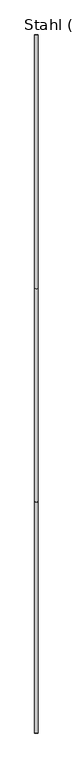
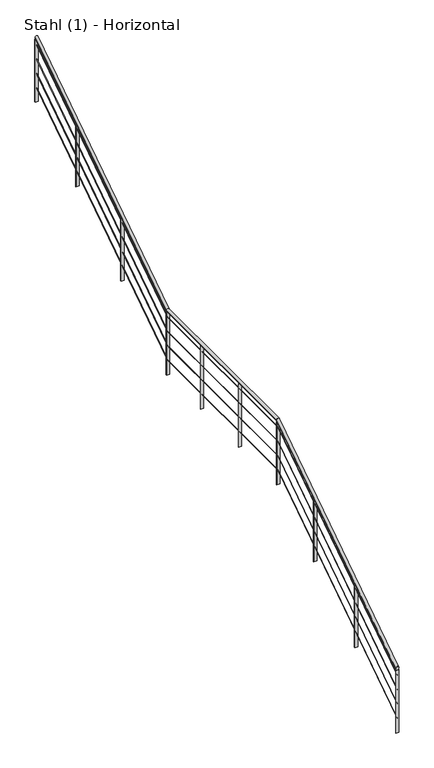
"""IFC4 building model written with IfcOpenShell, lengths in millimetres: railing geometry, Stahl (1) - Horizontal."""

from ifc_helpers import new_model, si_unit, frame, origin, place, context, project, spatial, polyline, ellipse_curve, outline, extrude, source, transform, mapped, element, save
from ifc_brep_helpers import plane_surface, cylinder_surface, advanced_brep


def stahl_1_horizontal_644ebacc(model_context):
    return source(origin(), model_context, "Body", "SolidModel", [
        advanced_brep(
        [(34750.7514238, 17146.3614256, 976.9604138), (34790.7514238, 17146.3614256, 976.9604138), (34750.7514238, 19883.3385253, 2790.4761905), (34790.7514238, 19883.3385253, 2790.4761905), (34750.7514238, 22410.2432872, 2790.4761905), (34790.7514238, 22410.2432872, 2790.4761905), (34750.7514238, 25408.2661875, 4776.9604138), (34790.7514238, 25408.2661875, 4776.9604138)],
        [
            (0, 1, ellipse_curve(frame((34770.7514238, 17146.3614256, 976.9604138), z_axis=(0.0, -1.0, 0.0), x_axis=(0.0, 0.0, -1.0)), 23.9919671, 20.0)),
            (1, 0, ellipse_curve(frame((34770.7514238, 17146.3614256, 976.9604138), z_axis=(0.0, -1.0, 0.0), x_axis=(0.0, 0.0, -1.0)), 23.9919671, 20.0)),
            (0, 2),
            (2, 3, ellipse_curve(frame((34770.7514238, 19883.3385253, 2790.4761905), z_axis=(0.0, -0.9574999596457313, -0.2884334018078055), x_axis=(0.0, 0.28843340180780536, -0.9574999596457313)), 20.8877293, 20.0)),
            (3, 1),
            (3, 2, ellipse_curve(frame((34770.7514238, 19883.3385253, 2790.4761905), z_axis=(0.0, -0.9574999596457313, -0.2884334018078055), x_axis=(0.0, 0.28843340180780536, -0.9574999596457313)), 20.8877293, 20.0)),
            (2, 4),
            (4, 5, ellipse_curve(frame((34770.7514238, 22410.2432872, 2790.4761905), z_axis=(0.0, -0.9574999596457309, -0.2884334018078068), x_axis=(0.0, -0.2884334018078068, 0.9574999596457309)), 20.8877293, 20.0)),
            (5, 3),
            (5, 4, ellipse_curve(frame((34770.7514238, 22410.2432872, 2790.4761905), z_axis=(0.0, -0.9574999596457309, -0.2884334018078068), x_axis=(0.0, -0.2884334018078068, 0.9574999596457309)), 20.8877293, 20.0)),
            (6, 7, ellipse_curve(frame((34770.7514238, 25408.2661875, 4776.9604138), z_axis=(0.0, 1.0, 0.0), x_axis=(0.0, 0.0, -1.0)), 23.9919671, 20.0)),
            (7, 6, ellipse_curve(frame((34770.7514238, 25408.2661875, 4776.9604138), z_axis=(0.0, 1.0, 0.0), x_axis=(0.0, 0.0, -1.0)), 23.9919671, 20.0)),
            (4, 6),
            (7, 5),
        ],
        [
            plane_surface(frame((34770.7514238, 17146.3614256, 1000.952381), z_axis=(0.0, -1.0, 0.0), x_axis=(0.0, 0.0, 1.0))),
            cylinder_surface(frame((34770.7514238, 17157.4084244, 984.280134), z_axis=(0.0, -0.8336123454431541, -0.5523499411829096), x_axis=(1.0, 0.0, 0.0)), 20.0),
            cylinder_surface(frame((34770.7514238, 19877.3138065, 2790.4761905), z_axis=(0.0, -1.0, 0.0), x_axis=(1.0, 0.0, 0.0)), 20.0),
            plane_surface(frame((34770.7514238, 25408.2661875, 4800.952381), z_axis=(0.0, 1.0, 0.0), x_axis=(0.0, 0.0, 1.0))),
            cylinder_surface(frame((34770.7514238, 22415.2655672, 2793.8039436), z_axis=(0.0, -0.8336123454431525, -0.5523499411829118), x_axis=(1.0, 0.0, 0.0)), 20.0),
        ],
        [
            (0, [[1, 2]]),
            (1, [[-1, 3, 4, 5]]),
            (1, [[-2, -5, 6, -3]]),
            (2, [[-4, 7, 8, 9]]),
            (2, [[-6, -9, 10, -7]]),
            (3, [[11, 12]]),
            (4, [[-8, 13, -12, 14]]),
            (4, [[-10, -14, -11, -13]]),
        ],
    ),
        advanced_brep(
        [(34769.2514238, 17146.3614256, 879.1529834), (34772.2514238, 17146.3614256, 879.1529834), (34769.2514238, 19877.7656604, 2688.9761905), (34772.2514238, 19877.7656604, 2688.9761905), (34769.2514238, 22404.6704223, 2688.9761905), (34772.2514238, 22404.6704223, 2688.9761905), (34769.2514238, 25408.2661875, 4679.1529834), (34772.2514238, 25408.2661875, 4679.1529834)],
        [
            (0, 1, ellipse_curve(frame((34770.7514238, 17146.3614256, 879.1529834), z_axis=(0.0, -1.0, 0.0), x_axis=(0.0, 0.0, -1.0)), 1.7993975, 1.5)),
            (1, 0, ellipse_curve(frame((34770.7514238, 17146.3614256, 879.1529834), z_axis=(0.0, -1.0, 0.0), x_axis=(0.0, 0.0, -1.0)), 1.7993975, 1.5)),
            (0, 2),
            (2, 3, ellipse_curve(frame((34770.7514238, 19877.7656604, 2688.9761905), z_axis=(0.0, -0.9574999596457313, -0.2884334018078055), x_axis=(0.0, 0.28843340180780536, -0.9574999596457313)), 1.5665797, 1.5)),
            (3, 1),
            (3, 2, ellipse_curve(frame((34770.7514238, 19877.7656604, 2688.9761905), z_axis=(0.0, -0.9574999596457313, -0.2884334018078055), x_axis=(0.0, 0.28843340180780536, -0.9574999596457313)), 1.5665797, 1.5)),
            (2, 4),
            (4, 5, ellipse_curve(frame((34770.7514238, 22404.6704223, 2688.9761905), z_axis=(0.0, -0.9574999596457309, -0.2884334018078068), x_axis=(0.0, -0.2884334018078068, 0.9574999596457309)), 1.5665797, 1.5)),
            (5, 3),
            (5, 4, ellipse_curve(frame((34770.7514238, 22404.6704223, 2688.9761905), z_axis=(0.0, -0.9574999596457309, -0.2884334018078068), x_axis=(0.0, -0.2884334018078068, 0.9574999596457309)), 1.5665797, 1.5)),
            (6, 7, ellipse_curve(frame((34770.7514238, 25408.2661875, 4679.1529834), z_axis=(0.0, 1.0, 0.0), x_axis=(0.0, 0.0, -1.0)), 1.7993975, 1.5)),
            (7, 6, ellipse_curve(frame((34770.7514238, 25408.2661875, 4679.1529834), z_axis=(0.0, 1.0, 0.0), x_axis=(0.0, 0.0, -1.0)), 1.7993975, 1.5)),
            (4, 6),
            (7, 5),
        ],
        [
            plane_surface(frame((34770.7514238, 17146.3614256, 880.952381), z_axis=(0.0, -1.0, 0.0), x_axis=(0.0, 0.0, 1.0))),
            cylinder_surface(frame((34770.7514238, 17147.1899505, 879.7019624), z_axis=(0.0, -0.8336123454431541, -0.5523499411829096), x_axis=(1.0, 0.0, 0.0)), 1.5),
            cylinder_surface(frame((34770.7514238, 19877.3138065, 2688.9761905), z_axis=(0.0, -1.0, 0.0), x_axis=(1.0, 0.0, 0.0)), 1.5),
            plane_surface(frame((34770.7514238, 25408.2661875, 4680.952381), z_axis=(0.0, 1.0, 0.0), x_axis=(0.0, 0.0, 1.0))),
            cylinder_surface(frame((34770.7514238, 22405.0470933, 2689.225772), z_axis=(0.0, -0.8336123454431525, -0.5523499411829118), x_axis=(1.0, 0.0, 0.0)), 1.5),
        ],
        [
            (0, [[1, 2]]),
            (1, [[-1, 3, 4, 5]]),
            (1, [[-2, -5, 6, -3]]),
            (2, [[-4, 7, 8, 9]]),
            (2, [[-6, -9, 10, -7]]),
            (3, [[11, 12]]),
            (4, [[-8, 13, -12, 14]]),
            (4, [[-10, -14, -11, -13]]),
        ],
    ),
        advanced_brep(
        [(34769.2514238, 17146.3614256, 679.1529834), (34772.2514238, 17146.3614256, 679.1529834), (34769.2514238, 19877.7656604, 2488.9761905), (34772.2514238, 19877.7656604, 2488.9761905), (34769.2514238, 22404.6704223, 2488.9761905), (34772.2514238, 22404.6704223, 2488.9761905), (34769.2514238, 25408.2661875, 4479.1529834), (34772.2514238, 25408.2661875, 4479.1529834)],
        [
            (0, 1, ellipse_curve(frame((34770.7514238, 17146.3614256, 679.1529834), z_axis=(0.0, -1.0, 0.0), x_axis=(0.0, 0.0, -1.0)), 1.7993975, 1.5)),
            (1, 0, ellipse_curve(frame((34770.7514238, 17146.3614256, 679.1529834), z_axis=(0.0, -1.0, 0.0), x_axis=(0.0, 0.0, -1.0)), 1.7993975, 1.5)),
            (0, 2),
            (2, 3, ellipse_curve(frame((34770.7514238, 19877.7656604, 2488.9761905), z_axis=(0.0, -0.9574999596457313, -0.2884334018078055), x_axis=(0.0, 0.28843340180780536, -0.9574999596457313)), 1.5665797, 1.5)),
            (3, 1),
            (3, 2, ellipse_curve(frame((34770.7514238, 19877.7656604, 2488.9761905), z_axis=(0.0, -0.9574999596457313, -0.2884334018078055), x_axis=(0.0, 0.28843340180780536, -0.9574999596457313)), 1.5665797, 1.5)),
            (2, 4),
            (4, 5, ellipse_curve(frame((34770.7514238, 22404.6704223, 2488.9761905), z_axis=(0.0, -0.9574999596457309, -0.2884334018078068), x_axis=(0.0, -0.2884334018078068, 0.9574999596457309)), 1.5665797, 1.5)),
            (5, 3),
            (5, 4, ellipse_curve(frame((34770.7514238, 22404.6704223, 2488.9761905), z_axis=(0.0, -0.9574999596457309, -0.2884334018078068), x_axis=(0.0, -0.2884334018078068, 0.9574999596457309)), 1.5665797, 1.5)),
            (6, 7, ellipse_curve(frame((34770.7514238, 25408.2661875, 4479.1529834), z_axis=(0.0, 1.0, 0.0), x_axis=(0.0, 0.0, -1.0)), 1.7993975, 1.5)),
            (7, 6, ellipse_curve(frame((34770.7514238, 25408.2661875, 4479.1529834), z_axis=(0.0, 1.0, 0.0), x_axis=(0.0, 0.0, -1.0)), 1.7993975, 1.5)),
            (4, 6),
            (7, 5),
        ],
        [
            plane_surface(frame((34770.7514238, 17146.3614256, 680.952381), z_axis=(0.0, -1.0, 0.0), x_axis=(0.0, 0.0, 1.0))),
            cylinder_surface(frame((34770.7514238, 17147.1899505, 679.7019624), z_axis=(0.0, -0.8336123454431541, -0.5523499411829096), x_axis=(1.0, 0.0, 0.0)), 1.5),
            cylinder_surface(frame((34770.7514238, 19877.3138065, 2488.9761905), z_axis=(0.0, -1.0, 0.0), x_axis=(1.0, 0.0, 0.0)), 1.5),
            plane_surface(frame((34770.7514238, 25408.2661875, 4480.952381), z_axis=(0.0, 1.0, 0.0), x_axis=(0.0, 0.0, 1.0))),
            cylinder_surface(frame((34770.7514238, 22405.0470933, 2489.225772), z_axis=(0.0, -0.8336123454431525, -0.5523499411829118), x_axis=(1.0, 0.0, 0.0)), 1.5),
        ],
        [
            (0, [[1, 2]]),
            (1, [[-1, 3, 4, 5]]),
            (1, [[-2, -5, 6, -3]]),
            (2, [[-4, 7, 8, 9]]),
            (2, [[-6, -9, 10, -7]]),
            (3, [[11, 12]]),
            (4, [[-8, 13, -12, 14]]),
            (4, [[-10, -14, -11, -13]]),
        ],
    ),
        advanced_brep(
        [(34769.2514238, 17146.3614256, 479.1529834), (34772.2514238, 17146.3614256, 479.1529834), (34769.2514238, 19877.7656604, 2288.9761905), (34772.2514238, 19877.7656604, 2288.9761905), (34769.2514238, 22404.6704223, 2288.9761905), (34772.2514238, 22404.6704223, 2288.9761905), (34769.2514238, 25408.2661875, 4279.1529834), (34772.2514238, 25408.2661875, 4279.1529834)],
        [
            (0, 1, ellipse_curve(frame((34770.7514238, 17146.3614256, 479.1529834), z_axis=(0.0, -1.0, 0.0), x_axis=(0.0, 0.0, -1.0)), 1.7993975, 1.5)),
            (1, 0, ellipse_curve(frame((34770.7514238, 17146.3614256, 479.1529834), z_axis=(0.0, -1.0, 0.0), x_axis=(0.0, 0.0, -1.0)), 1.7993975, 1.5)),
            (0, 2),
            (2, 3, ellipse_curve(frame((34770.7514238, 19877.7656604, 2288.9761905), z_axis=(0.0, -0.9574999596457313, -0.2884334018078055), x_axis=(0.0, 0.28843340180780536, -0.9574999596457313)), 1.5665797, 1.5)),
            (3, 1),
            (3, 2, ellipse_curve(frame((34770.7514238, 19877.7656604, 2288.9761905), z_axis=(0.0, -0.9574999596457313, -0.2884334018078055), x_axis=(0.0, 0.28843340180780536, -0.9574999596457313)), 1.5665797, 1.5)),
            (2, 4),
            (4, 5, ellipse_curve(frame((34770.7514238, 22404.6704223, 2288.9761905), z_axis=(0.0, -0.9574999596457309, -0.2884334018078068), x_axis=(0.0, -0.2884334018078068, 0.9574999596457309)), 1.5665797, 1.5)),
            (5, 3),
            (5, 4, ellipse_curve(frame((34770.7514238, 22404.6704223, 2288.9761905), z_axis=(0.0, -0.9574999596457309, -0.2884334018078068), x_axis=(0.0, -0.2884334018078068, 0.9574999596457309)), 1.5665797, 1.5)),
            (6, 7, ellipse_curve(frame((34770.7514238, 25408.2661875, 4279.1529834), z_axis=(0.0, 1.0, 0.0), x_axis=(0.0, 0.0, -1.0)), 1.7993975, 1.5)),
            (7, 6, ellipse_curve(frame((34770.7514238, 25408.2661875, 4279.1529834), z_axis=(0.0, 1.0, 0.0), x_axis=(0.0, 0.0, -1.0)), 1.7993975, 1.5)),
            (4, 6),
            (7, 5),
        ],
        [
            plane_surface(frame((34770.7514238, 17146.3614256, 480.952381), z_axis=(0.0, -1.0, 0.0), x_axis=(0.0, 0.0, 1.0))),
            cylinder_surface(frame((34770.7514238, 17147.1899505, 479.7019624), z_axis=(0.0, -0.8336123454431541, -0.5523499411829096), x_axis=(1.0, 0.0, 0.0)), 1.5),
            cylinder_surface(frame((34770.7514238, 19877.3138065, 2288.9761905), z_axis=(0.0, -1.0, 0.0), x_axis=(1.0, 0.0, 0.0)), 1.5),
            plane_surface(frame((34770.7514238, 25408.2661875, 4280.952381), z_axis=(0.0, 1.0, 0.0), x_axis=(0.0, 0.0, 1.0))),
            cylinder_surface(frame((34770.7514238, 22405.0470933, 2289.225772), z_axis=(0.0, -0.8336123454431525, -0.5523499411829118), x_axis=(1.0, 0.0, 0.0)), 1.5),
        ],
        [
            (0, [[1, 2]]),
            (1, [[-1, 3, 4, 5]]),
            (1, [[-2, -5, 6, -3]]),
            (2, [[-4, 7, 8, 9]]),
            (2, [[-6, -9, 10, -7]]),
            (3, [[11, 12]]),
            (4, [[-8, 13, -12, 14]]),
            (4, [[-10, -14, -11, -13]]),
        ],
    ),
        advanced_brep(
        [(34769.2514238, 17146.3614256, 279.1529834), (34772.2514238, 17146.3614256, 279.1529834), (34769.2514238, 19877.7656604, 2088.9761905), (34772.2514238, 19877.7656604, 2088.9761905), (34769.2514238, 22404.6704223, 2088.9761905), (34772.2514238, 22404.6704223, 2088.9761905), (34769.2514238, 25408.2661875, 4079.1529834), (34772.2514238, 25408.2661875, 4079.1529834)],
        [
            (0, 1, ellipse_curve(frame((34770.7514238, 17146.3614256, 279.1529834), z_axis=(0.0, -1.0, 0.0), x_axis=(0.0, 0.0, -1.0)), 1.7993975, 1.5)),
            (1, 0, ellipse_curve(frame((34770.7514238, 17146.3614256, 279.1529834), z_axis=(0.0, -1.0, 0.0), x_axis=(0.0, 0.0, -1.0)), 1.7993975, 1.5)),
            (0, 2),
            (2, 3, ellipse_curve(frame((34770.7514238, 19877.7656604, 2088.9761905), z_axis=(0.0, -0.9574999596457313, -0.2884334018078055), x_axis=(0.0, 0.28843340180780536, -0.9574999596457313)), 1.5665797, 1.5)),
            (3, 1),
            (3, 2, ellipse_curve(frame((34770.7514238, 19877.7656604, 2088.9761905), z_axis=(0.0, -0.9574999596457313, -0.2884334018078055), x_axis=(0.0, 0.28843340180780536, -0.9574999596457313)), 1.5665797, 1.5)),
            (2, 4),
            (4, 5, ellipse_curve(frame((34770.7514238, 22404.6704223, 2088.9761905), z_axis=(0.0, -0.9574999596457309, -0.2884334018078068), x_axis=(0.0, -0.2884334018078068, 0.9574999596457309)), 1.5665797, 1.5)),
            (5, 3),
            (5, 4, ellipse_curve(frame((34770.7514238, 22404.6704223, 2088.9761905), z_axis=(0.0, -0.9574999596457309, -0.2884334018078068), x_axis=(0.0, -0.2884334018078068, 0.9574999596457309)), 1.5665797, 1.5)),
            (6, 7, ellipse_curve(frame((34770.7514238, 25408.2661875, 4079.1529834), z_axis=(0.0, 1.0, 0.0), x_axis=(0.0, 0.0, -1.0)), 1.7993975, 1.5)),
            (7, 6, ellipse_curve(frame((34770.7514238, 25408.2661875, 4079.1529834), z_axis=(0.0, 1.0, 0.0), x_axis=(0.0, 0.0, -1.0)), 1.7993975, 1.5)),
            (4, 6),
            (7, 5),
        ],
        [
            plane_surface(frame((34770.7514238, 17146.3614256, 280.952381), z_axis=(0.0, -1.0, 0.0), x_axis=(0.0, 0.0, 1.0))),
            cylinder_surface(frame((34770.7514238, 17147.1899505, 279.7019624), z_axis=(0.0, -0.8336123454431541, -0.5523499411829096), x_axis=(1.0, 0.0, 0.0)), 1.5),
            cylinder_surface(frame((34770.7514238, 19877.3138065, 2088.9761905), z_axis=(0.0, -1.0, 0.0), x_axis=(1.0, 0.0, 0.0)), 1.5),
            plane_surface(frame((34770.7514238, 25408.2661875, 4080.952381), z_axis=(0.0, 1.0, 0.0), x_axis=(0.0, 0.0, 1.0))),
            cylinder_surface(frame((34770.7514238, 22405.0470933, 2089.225772), z_axis=(0.0, -0.8336123454431525, -0.5523499411829118), x_axis=(1.0, 0.0, 0.0)), 1.5),
        ],
        [
            (0, [[1, 2]]),
            (1, [[-1, 3, 4, 5]]),
            (1, [[-2, -5, 6, -3]]),
            (2, [[-4, 7, 8, 9]]),
            (2, [[-6, -9, 10, -7]]),
            (3, [[11, 12]]),
            (4, [[-8, 13, -12, 14]]),
            (4, [[-10, -14, -11, -13]]),
        ],
    ),
        extrude(outline(polyline([(24471.9755471, 3263.2183908), (24471.9755471, 4132.5840642), (24479.9755471, 4137.8848489), (24479.9755471, 3263.2183908), (24471.9755471, 3263.2183908)])), frame((34750.7514238, 0.0, 0.0), z_axis=(1.0, 0.0, 0.0), x_axis=(0.0, 1.0, 0.0)), (0.0, 0.0, 1.0), 40.0),
        extrude(outline(polyline([(23436.0970577, 2576.8472906), (23436.0970577, 3446.212964), (23444.0970577, 3451.5137487), (23444.0970577, 2576.8472906), (23436.0970577, 2576.8472906)])), frame((34750.7514238, 0.0, 0.0), z_axis=(1.0, 0.0, 0.0), x_axis=(0.0, 1.0, 0.0)), (0.0, 0.0, 1.0), 40.0),
        extrude(outline(polyline([(34790.7514238, 21616.0067458), (34750.7514238, 21616.0067458), (34750.7514238, 21624.0067458), (34790.7514238, 21624.0067458), (34790.7514238, 21616.0067458)])), frame((0.0, 0.0, 1890.4761905), z_axis=(0.0, 0.0, 1.0), x_axis=(1.0, 0.0, 0.0)), (0.0, 0.0, 1.0), 880.0),
        extrude(outline(polyline([(34790.7514238, 20744.6602761), (34750.7514238, 20744.6602761), (34750.7514238, 20752.6602761), (34790.7514238, 20752.6602761), (34790.7514238, 20744.6602761)])), frame((0.0, 0.0, 1890.4761905), z_axis=(0.0, 0.0, 1.0), x_axis=(1.0, 0.0, 0.0)), (0.0, 0.0, 1.0), 880.0),
        extrude(outline(polyline([(19025.7768607, 1328.8998358), (19025.7768607, 2198.2655092), (19033.7768607, 2203.5662938), (19033.7768607, 1328.8998358), (19025.7768607, 1328.8998358)])), frame((34750.7514238, 0.0, 0.0), z_axis=(1.0, 0.0, 0.0), x_axis=(0.0, 1.0, 0.0)), (0.0, 0.0, 1.0), 40.0),
        extrude(outline(polyline([(18084.0691431, 704.9261084), (18084.0691431, 1574.2917818), (18092.0691431, 1579.5925664), (18092.0691431, 704.9261084), (18084.0691431, 704.9261084)])), frame((34750.7514238, 0.0, 0.0), z_axis=(1.0, 0.0, 0.0), x_axis=(0.0, 1.0, 0.0)), (0.0, 0.0, 1.0), 40.0),
        extrude(outline(polyline([(34790.7514238, 22400.2185684), (34750.7514238, 22400.2185684), (34750.7514238, 22408.2185684), (34790.7514238, 22408.2185684), (34790.7514238, 22400.2185684)])), frame((0.0, 0.0, 1890.4761905), z_axis=(0.0, 0.0, 1.0), x_axis=(1.0, 0.0, 0.0)), (0.0, 0.0, 1.0), 880.0),
        extrude(outline(polyline([(19873.3138065, 1890.4761905), (19873.3138065, 2759.8418639), (19881.3138065, 2765.1426485), (19881.3138065, 1890.4761905), (19873.3138065, 1890.4761905)])), frame((34750.7514238, 0.0, 0.0), z_axis=(1.0, 0.0, 0.0), x_axis=(0.0, 1.0, 0.0)), (0.0, 0.0, 1.0), 40.0),
        extrude(outline(polyline([(25404.2661875, 3880.952381), (25404.2661875, 4750.3180543), (25412.2661875, 4755.618839), (25412.2661875, 3880.952381), (25404.2661875, 3880.952381)])), frame((34750.7514238, 0.0, 0.0), z_axis=(1.0, 0.0, 0.0), x_axis=(0.0, 1.0, 0.0)), (0.0, 0.0, 1.0), 40.0),
        extrude(outline(polyline([(17142.3614256, 80.952381), (17142.3614256, 950.3180543), (17150.3614256, 955.618839), (17150.3614256, 80.952381), (17142.3614256, 80.952381)])), frame((34750.7514238, 0.0, 0.0), z_axis=(1.0, 0.0, 0.0), x_axis=(0.0, 1.0, 0.0)), (0.0, 0.0, 1.0), 40.0),
    ])


if __name__ == "__main__":
    model = new_model("IFC4")
    model_context = context("Model", 3, world=origin())
    ifc_project = project(units=[si_unit("LENGTHUNIT", "METRE", prefix="MILLI")], contexts=[model_context])
    site = spatial("IfcSite", under=ifc_project)
    building = spatial("IfcBuilding", under=site)
    placement = place(None, origin())
    stahl_1_horizontal_shape = stahl_1_horizontal_644ebacc(model_context)
    element("IfcRailing", 1, ObjectType="Stahl (1) - Horizontal", at=placement, inside=building, context=model_context, shape_type="MappedRepresentation", body=[
        mapped(stahl_1_horizontal_shape, transform((0.0, 0.0, 0.0), x_axis=(1.0, 0.0, 0.0), y_axis=(0.0, 1.0, 0.0), z_axis=(0.0, 0.0, 1.0))),
    ])
    save(model, "model.ifc")
